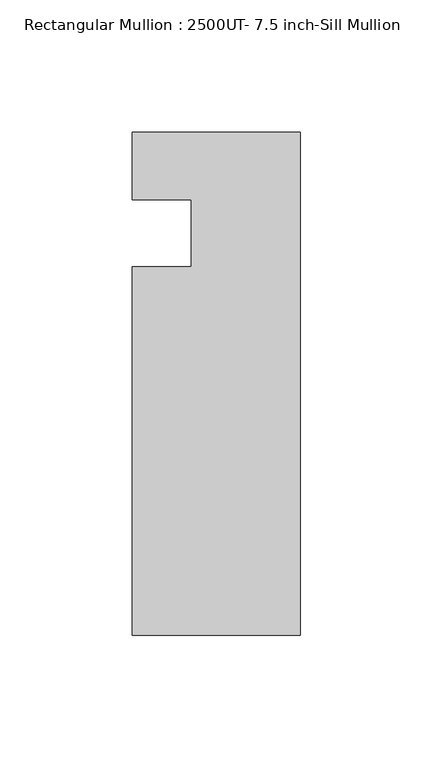
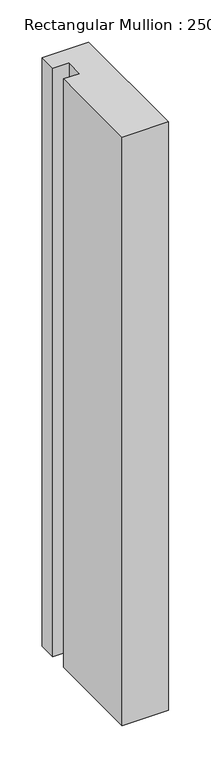
"""IFC4 building model written with IfcOpenShell, lengths in millimetres: member geometry, Rectangular Mullion : 2500UT- 7.5 inch-Sill Mullion."""

from ifc_helpers import new_model, si_unit, frame, origin, place, context, project, spatial, polyline, outline, extrude, source, transform, mapped, element, save


def rectangular_mullion_2500ut_7_5_inch_sill_mullion_749d766b(model_context):
    return source(origin(), model_context, "Body", "SweptSolid", [
        extrude(outline(polyline([(31.75, 38.1), (31.75, -151.892), (-31.75, -151.892), (-31.75, -12.7), (-9.525, -12.7), (-9.525, 12.7309282), (-31.75, 12.7309282), (-31.75, 38.1), (31.75, 38.1)])), frame((0.0, 0.0, -850.5615395), z_axis=(0.0, 0.0, 1.0), x_axis=(1.0, 0.0, 0.0)), (0.0, 0.0, 1.0), 850.5615395),
    ])


if __name__ == "__main__":
    model = new_model("IFC4")
    model_context = context("Model", 3, world=origin())
    ifc_project = project(units=[si_unit("LENGTHUNIT", "METRE", prefix="MILLI")], contexts=[model_context])
    site = spatial("IfcSite", under=ifc_project)
    building = spatial("IfcBuilding", under=site)
    placement = place(None, origin())
    rectangular_mullion_2500ut_7_5_inch_sill_mullion_shape = rectangular_mullion_2500ut_7_5_inch_sill_mullion_749d766b(model_context)
    element("IfcMember", 1, ObjectType="Rectangular Mullion : 2500UT- 7.5 inch-Sill Mullion", at=placement, inside=building, context=model_context, shape_type="MappedRepresentation", body=[
        mapped(rectangular_mullion_2500ut_7_5_inch_sill_mullion_shape, transform((0.0, 0.0, 0.0), x_axis=(1.0, 0.0, 0.0), y_axis=(0.0, 1.0, 0.0), z_axis=(0.0, 0.0, 1.0))),
    ])
    save(model, "model.ifc")
